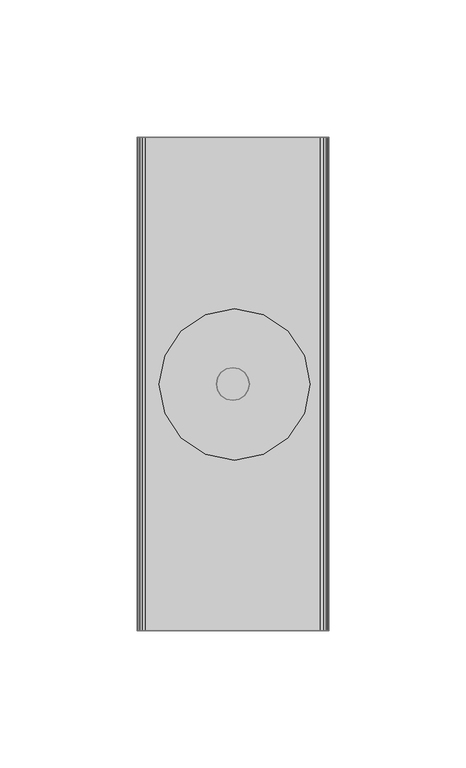
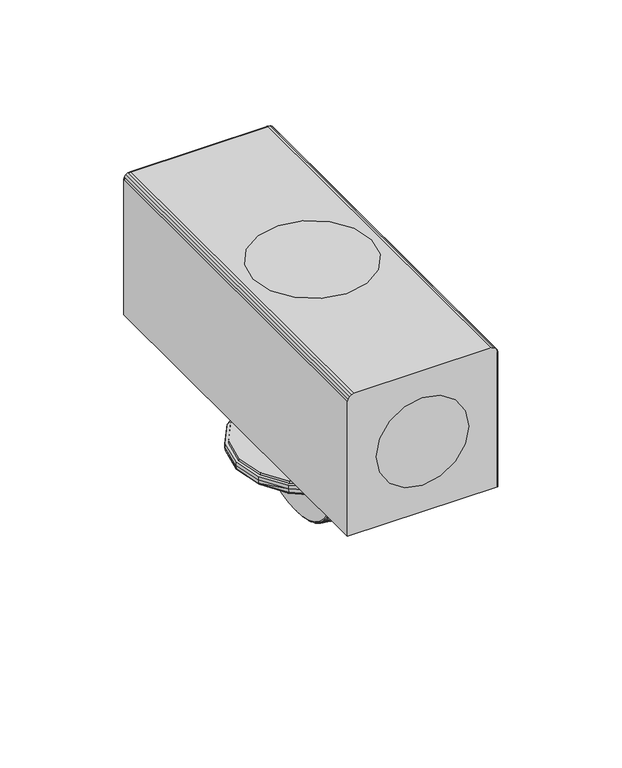
"""IFC4 building model written with IfcOpenShell, lengths in millimetres: furniture geometry."""

import ifcopenshell
import ifcopenshell.guid

model = None  # the IFC model being written
_history = None  # IfcOwnerHistory: only IFC2X3 demands one
_inside = {}  # id of a spatial element -> (the spatial element, [elements in it])
_under = {}  # id of a project, library or spatial element -> (it, [spatial elements below it])
_declared = {}  # id of a project -> (the project, [libraries it declares])
_typed = {}  # id of a type object -> (the type object, [elements of that type])
_made_of = {}  # id of a material, layer set ... -> (it, [elements and type objects made of it])


def new_model(schema):
    """Start an empty IFC model of exactly this schema.

    Asked for "IFC4X3", IfcOpenShell would pick the latest addendum, in which some entities
    have other attributes; the version numbers below select the first issue.
    IFC2X3 requires an IfcOwnerHistory on every rooted entity: one is made here for all.
    """
    global model, _history
    if schema == "IFC4X3":
        model = ifcopenshell.file(schema_version=(4, 3, 0, 0))
    else:
        model = ifcopenshell.file(schema=schema)
    _inside.clear()
    _under.clear()
    _declared.clear()
    _typed.clear()
    _made_of.clear()
    _history = None
    if model.schema == "IFC2X3":
        org = make("IfcOrganization", Name="unknown")
        user = make(
            "IfcPersonAndOrganization",
            ThePerson=make("IfcPerson", FamilyName="unknown"),
            TheOrganization=org,
        )
        app = make(
            "IfcApplication",
            ApplicationDeveloper=org,
            Version="unknown",
            ApplicationFullName="unknown",
            ApplicationIdentifier="unknown",
        )
        _history = make(
            "IfcOwnerHistory",
            OwningUser=user,
            OwningApplication=app,
            ChangeAction="ADDED",
            CreationDate=0,
        )
    return model


def make(cls, **values):
    """One entity of the class cls with the attributes given. An attribute that is None is left unset."""
    return model.create_entity(
        cls, **{name: value for name, value in values.items() if value is not None}
    )


def rooted(cls, **values):
    """An entity with a GlobalId (a new one), such as an element, a storey or a relation."""
    return make(cls, GlobalId=ifcopenshell.guid.new(), OwnerHistory=_history, **values)


def si_unit(unit_type, name, prefix=None):
    """IfcSIUnit, for example si_unit("LENGTHUNIT", "METRE", prefix="MILLI")."""
    return make("IfcSIUnit", UnitType=unit_type, Prefix=prefix, Name=name)


def assignment(units):
    """IfcUnitAssignment: the units of a project."""
    return None if units is None else make("IfcUnitAssignment", Units=units)


def point(xyz):
    """IfcCartesianPoint."""
    return None if xyz is None else make("IfcCartesianPoint", Coordinates=xyz)


def direction(xyz):
    """IfcDirection."""
    return None if xyz is None else make("IfcDirection", DirectionRatios=xyz)


def frame(location, z_axis=None, x_axis=None):
    """IfcAxis2Placement3D, a coordinate frame: its origin and axes. An axis left out is left unset."""
    return make(
        "IfcAxis2Placement3D",
        Location=point(location),
        Axis=direction(z_axis),
        RefDirection=direction(x_axis),
    )


def origin():
    """The frame at (0, 0, 0) with its axes left unset."""
    return frame((0.0, 0.0, 0.0))


def place(relative_to, where):
    """IfcLocalPlacement: puts the frame where relative to a parent placement (None: the world)."""
    return make(
        "IfcLocalPlacement", PlacementRelTo=relative_to, RelativePlacement=where
    )


def context(
    kind, dimensions, precision=None, world=None, true_north=None, identifier=None
):
    """IfcGeometricRepresentationContext, for example the 3D "Model" context."""
    return make(
        "IfcGeometricRepresentationContext",
        ContextIdentifier=identifier,
        ContextType=kind,
        CoordinateSpaceDimension=dimensions,
        Precision=precision,
        WorldCoordinateSystem=world,
        TrueNorth=true_north,
    )


def project(units=None, contexts=None):
    """IfcProject with its units and contexts."""
    return rooted(
        "IfcProject",
        Name="project",
        RepresentationContexts=contexts,
        UnitsInContext=assignment(units),
    )


def spatial(cls, under=None, at=None, **own):
    """A site, building, storey or space (cls), placed at a placement, below another one or the project."""
    s = rooted(cls, ObjectPlacement=at, **own)
    if under is not None:
        _under.setdefault(under.id(), (under, []))[1].append(s)
    return s


def point_list(points):
    """IfcCartesianPointList2D or 3D."""
    cls = (
        "IfcCartesianPointList2D" if len(points[0]) == 2 else "IfcCartesianPointList3D"
    )
    return make(cls, CoordList=points)


def triangles(points, corners, closed=None, point_numbers=None):
    """IfcTriangulatedFaceSet: each triangle names its three corners, points numbered from 1."""
    return make(
        "IfcTriangulatedFaceSet",
        Coordinates=point_list(points),
        Closed=closed,
        CoordIndex=corners,
        PnIndex=point_numbers,
    )


def shape(context_of_items, identifier, shape_type, items):
    """IfcShapeRepresentation: the items that make up one representation, for example the "Body"."""
    return make(
        "IfcShapeRepresentation",
        ContextOfItems=context_of_items,
        RepresentationIdentifier=identifier,
        RepresentationType=shape_type,
        Items=items,
    )


def source(mapping_origin, context_of_items, identifier, shape_type, items):
    """IfcRepresentationMap: a shape defined once, which mapped items show again and again."""
    return make(
        "IfcRepresentationMap",
        MappingOrigin=mapping_origin,
        MappedRepresentation=shape(context_of_items, identifier, shape_type, items),
    )


def transform(
    local_origin,
    x_axis=None,
    y_axis=None,
    z_axis=None,
    scale=None,
    scale2=None,
    scale3=None,
    uniform=True,
):
    """IfcCartesianTransformationOperator3D, or its non-uniform kind. x_axis, y_axis, z_axis: its Axis1, 2, 3."""
    if uniform:
        return make(
            "IfcCartesianTransformationOperator3D",
            Axis1=direction(x_axis),
            Axis2=direction(y_axis),
            LocalOrigin=point(local_origin),
            Scale=scale,
            Axis3=direction(z_axis),
        )
    return make(
        "IfcCartesianTransformationOperator3DnonUniform",
        Axis1=direction(x_axis),
        Axis2=direction(y_axis),
        LocalOrigin=point(local_origin),
        Scale=scale,
        Axis3=direction(z_axis),
        Scale2=scale2,
        Scale3=scale3,
    )


def mapped(mapping_source, mapping_target):
    """IfcMappedItem: shows the shape of a source again, moved by a transform."""
    return make(
        "IfcMappedItem", MappingSource=mapping_source, MappingTarget=mapping_target
    )


def made_of(thing, what):
    """Note that an element or type object is made of a material, layer set ...; save() writes the relation."""
    if what is not None:
        _made_of.setdefault(what.id(), (what, []))[1].append(thing)
    return thing


def element(
    cls,
    number,
    at=None,
    inside=None,
    cuts=None,
    type_object=None,
    material=None,
    context=None,
    identifier="Body",
    shape_type=None,
    held_by="IfcProductDefinitionShape",
    body=None,
    shapes=None,
    **own,
):
    """One element of the class cls, such as IfcWall. Its Tag is "e" and its number.

    at: its placement. inside: the storey or other place that contains it. cuts: it is an
    opening in that element (IfcRelVoidsElement). A single representation is given by context,
    identifier, shape_type and body (its items); several are given by shapes. held_by: the class
    of the entity that holds the representations. save() writes the other relations.
    """
    e = rooted(cls, Tag="e%d" % number, ObjectPlacement=at, **own)
    if body is not None:
        shapes = [shape(context, identifier, shape_type, body)]
    if shapes is not None:
        e.Representation = make(held_by, Representations=shapes)
    if inside is not None:
        _inside.setdefault(inside.id(), (inside, []))[1].append(e)
    if cuts is not None:
        rooted(
            "IfcRelVoidsElement", RelatingBuildingElement=cuts, RelatedOpeningElement=e
        )
    if type_object is not None:
        _typed.setdefault(type_object.id(), (type_object, []))[1].append(e)
    return made_of(e, material)


def aggregate(whole, parts):
    """IfcRelAggregates: a whole, such as a stair, and the parts it consists of."""
    return rooted("IfcRelAggregates", RelatingObject=whole, RelatedObjects=parts)


def save(model, path):
    """Write the relations noted so far, then the file.

    IfcRelAggregates (storeys below a building ...), IfcRelContainedInSpatialStructure (elements
    in a storey), IfcRelDefinesByType, IfcRelAssociatesMaterial and IfcRelDeclares: one each for
    every whole, place, type object, material and project.
    """
    for whole, parts in _under.values():
        aggregate(whole, parts)
    for where, things in _inside.values():
        rooted(
            "IfcRelContainedInSpatialStructure",
            RelatedElements=things,
            RelatingStructure=where,
        )
    for kind, things in _typed.values():
        rooted("IfcRelDefinesByType", RelatedObjects=things, RelatingType=kind)
    for what, things in _made_of.values():
        rooted("IfcRelAssociatesMaterial", RelatedObjects=things, RelatingMaterial=what)
    for by, libraries in _declared.values():
        rooted("IfcRelDeclares", RelatingContext=by, RelatedDefinitions=libraries)
    model.write(path)


def furniture_dbe5eb6a(model_context):
    return source(origin(), model_context, "Body", "Tessellation", [
        triangles([(-0.00025, -90.0001115, 56.0000021), (-0.00025, -90.0001115, 13.0000002), (8.227444, -90.0001115, 14.6365896), (8.227444, -90.0001115, 54.3634105), (15.2025457, -90.0001115, 49.7027938), (15.2025457, -90.0001115, 19.2972051), (19.8631589, -90.0001115, 42.7276926), (19.8631589, -90.0001115, 26.2723063), (-8.2279436, -90.0001115, 54.3634105), (-8.2279436, -90.0001115, 14.6365896), (-15.2030453, -90.0001115, 19.2972051), (-15.2030453, -90.0001115, 49.7027938), (-19.8636608, -90.0001115, 42.7276926), (-19.8636608, -90.0001115, 26.2723063), (-21.5002501, -90.0001115, 34.4999994), (21.4997505, -90.0001115, 34.4999994), (-0.00025, 89.9998935, 56.0000021), (-0.00025, 89.9998935, 13.0000002), (-8.2279436, 89.9998935, 14.6365896), (-8.2279436, 89.9998935, 54.3634105), (-15.2030453, 89.9998935, 49.7027938), (-15.2030453, 89.9998935, 19.2972051), (-19.8636608, 89.9998935, 42.7276926), (-19.8636608, 89.9998935, 26.2723063), (8.227444, 89.9998935, 54.3634105), (8.227444, 89.9998935, 14.6365896), (15.2025457, 89.9998935, 19.2972051), (15.2025457, 89.9998935, 49.7027938), (19.8631589, 89.9998935, 42.7276926), (19.8631589, 89.9998935, 26.2723063), (21.4997505, 89.9998935, 34.4999994), (-21.5002501, 89.9998935, 34.4999994), (-26.9258592, -0.1697684, 69.2999987), (-24.8285422, -10.7136902, 69.2999987), (26.0820131, -10.7136902, 69.2999987), (28.1793301, -0.1697684, 69.2999987), (-24.8285422, 10.3741533, 69.2999987), (26.0820131, 10.3741533, 69.2999987), (-18.8558905, 19.3128587, 69.2999987), (20.1093626, 19.3128587, 69.2999987), (11.1706572, 25.2855092, 69.2999987), (-9.9171851, 25.2855092, 69.2999987), (0.6267359, 27.3828262, 69.2999987), (-18.8558905, -19.6523956, 69.2999987), (20.1093626, -19.6523956, 69.2999987), (-9.9171851, -25.6250461, 69.2999987), (11.1706572, -25.6250461, 69.2999987), (0.6267359, -27.7223631, 69.2999987)], [[1, 2, 3], [1, 3, 4], [4, 3, 5], [3, 6, 5], [5, 6, 7], [6, 8, 7], [1, 9, 10], [1, 10, 2], [11, 10, 9], [11, 9, 12], [12, 13, 11], [13, 14, 11], [13, 15, 14], [7, 8, 16], [17, 18, 19], [17, 19, 20], [20, 19, 21], [19, 22, 21], [21, 22, 23], [22, 24, 23], [17, 25, 26], [17, 26, 18], [27, 26, 25], [27, 25, 28], [28, 29, 27], [29, 30, 27], [29, 31, 30], [23, 24, 32], [33, 34, 35], [33, 35, 36], [37, 33, 36], [37, 36, 38], [39, 37, 38], [39, 38, 40], [41, 42, 40], [42, 39, 40], [42, 41, 43], [34, 44, 35], [44, 45, 35], [44, 46, 47], [44, 47, 45], [48, 47, 46]], closed=False),
        triangles([(-34.9268811, -0.00011, -18.0000005), (-32.2626633, 13.3938102, -18.0000005), (-32.2271662, 13.379107, -19.6395307), (-34.8916725, -0.00011, -19.5694677), (-32.1207524, 13.3350282, -21.2754637), (-34.7861239, -0.00011, -21.1357761), (-24.6756173, 24.7486279, -18.0000005), (-24.6414329, 24.7144435, -19.8389439), (-24.538975, 24.6119856, -21.6728073), (-13.3207996, 32.3356739, -18.0000005), (-13.2958113, 32.2753464, -20.1369681), (-13.2209386, 32.0945867, -22.2659601), (-32.2271662, -13.3793262, -19.6395307), (-32.2626633, -13.3940305, -18.0000005), (-32.1207524, -13.3352484, -21.2754637), (-24.6414329, -24.7146638, -19.8389439), (-24.6756173, -24.7488482, -18.0000005), (-24.538975, -24.6122059, -21.6728073), (-13.2958113, -32.2755667, -20.1369681), (-13.3207996, -32.3358942, -18.0000005), (-13.2209386, -32.094807, -22.2659601), (35.037914, -0.00011, -19.5694677), (32.3734055, 13.379107, -19.6395307), (32.4089025, 13.3938102, -18.0000005), (35.0731203, -0.00011, -18.0000005), (34.9323631, -0.00011, -21.1357761), (32.2669917, 13.3350282, -21.2754637), (24.7876744, 24.7144435, -19.8389439), (24.8218565, 24.7486279, -18.0000005), (24.6852165, 24.6119856, -21.6728073), (13.4420517, 32.2753464, -20.1369681), (13.46704, 32.3356739, -18.0000005), (13.3671789, 32.0945867, -22.2659601), (32.4089025, -13.3940305, -18.0000005), (32.3734055, -13.3793262, -19.6395307), (32.2669917, -13.3352484, -21.2754637), (24.8218565, -24.7488482, -18.0000005), (24.7876744, -24.7146638, -19.8389439), (24.6852165, -24.6122059, -21.6728073), (13.46704, -32.3358942, -18.0000005), (13.4420517, -32.2755667, -20.1369681), (13.3671789, -32.094807, -22.2659601), (0.07312, 34.9998894, -18.0000005), (0.07312, 34.9345909, -20.1369681), (12.5151279, 32.4285052, -22.3106136), (0.07312, 34.7389406, -22.2659601), (-12.3688875, 32.4285052, -22.3106136), (0.07312, -34.9348112, -20.1369681), (0.07312, -35.0001097, -18.0000005), (0.07312, -34.7391609, -22.2659601), (12.5151279, -32.4287255, -22.3106136), (-12.3688875, -32.4287255, -22.3106136), (-33.8424814, -0.00011, -22.0448117), (-31.2455583, 12.9725117, -22.1809113), (-12.0657379, 5.0279697, -23.1860825), (-12.0657379, -0.00011, -23.1860825), (-23.8618248, 23.9348331, -22.5678767), (-12.0657379, 12.1387485, -23.1860825), (-12.8486491, 31.1957998, -23.1450535), (-12.0657379, 29.3056853, -23.1860825), (-7.0334563, 5.5213376, -51.0746804), (-6.9926583, -0.00011, -51.5410082), (-9.2341617, -0.00011, -25.9205041), (-9.2341617, 3.8550923, -25.9205041), (-9.2341617, 9.3071717, -25.9205041), (-7.1546863, 10.8851743, -49.6890183), (-7.352888, 15.9382872, -47.4235679), (-12.0657379, -5.0281894, -23.1860825), (-31.2455583, -12.9727308, -22.1809113), (-12.0657379, -12.1389677, -23.1860825), (-23.8618248, -23.9350534, -22.5678767), (-12.0657379, -29.3059056, -23.1860825), (-12.8486491, -31.1960201, -23.1450535), (-11.0586114, 4.6108042, -23.4170504), (-11.0264992, -0.00011, -23.4307918), (-10.175653, 4.245071, -23.9889359), (-10.1387707, -0.00011, -24.0239515), (-9.5315551, 3.9782765, -24.856268), (-9.5149903, -0.00011, -24.8904388), (-11.1505651, 11.2235757, -23.3801113), (-10.296762, 10.3697727, -23.8818431), (-9.5969944, 9.670005, -24.7309623), (-11.2770597, 27.4016477, -23.3349242), (-10.5008057, 25.5276047, -23.7253641), (-9.7637879, 23.748287, -24.4633891), (-9.2341617, 22.4696564, -25.9205041), (-12.3302578, 32.2646481, -22.7513071), (-11.0691384, 32.7103512, -23.0166297), (-10.9816357, 32.8839008, -22.6297029), (-9.976225, 32.9661042, -23.6984127), (-9.7521698, 33.1501295, -23.4337145), (-9.2070546, 32.9865131, -24.7570054), (-8.8730901, 33.1795359, -24.6390052), (-8.8664504, 32.7702381, -26.0538535), (-8.4824106, 32.96622, -26.0637411), (-12.2211109, 31.9310565, -23.0665131), (-11.1303833, 32.3679008, -23.3055292), (-10.150592, 32.6243259, -23.9221159), (-9.4450573, 32.6481435, -24.8700685), (-9.1335966, 32.4355224, -26.0029504), (-12.0657379, 31.501972, -23.1860825), (-11.0750905, 31.9369382, -23.4101717), (-10.1745391, 32.2000785, -23.9899737), (-9.5215993, 32.2320896, -24.8766724), (-9.2341617, 32.0243262, -25.9205041), (-24.4261004, 24.499111, -22.1165893), (-31.9779423, 13.2758748, -21.7208853), (-24.1827763, 24.2557869, -22.439085), (-31.6634334, 13.1456014, -22.047085), (-34.6342232, -0.00011, -21.5824058), (-34.2944706, -0.00011, -21.9096978), (-13.1569708, 31.9401561, -22.7071078), (-13.0232001, 31.6172017, -23.0238922), (-31.9779423, -13.2760939, -21.7208853), (-24.4261004, -24.4993313, -22.1165893), (-31.6634334, -13.1458205, -22.047085), (-24.1827763, -24.2560072, -22.439085), (-13.1569708, -31.9403764, -22.7071078), (-13.0232001, -31.6174219, -23.0238922), (-11.0586114, -4.6110242, -23.4170504), (-10.175653, -4.245291, -23.9889359), (-9.5315551, -3.9784965, -24.856268), (-9.2341617, -3.8553123, -25.9205041), (-11.1505651, -11.2237948, -23.3801113), (-10.296762, -10.3699929, -23.8818431), (-9.5969944, -9.6702241, -24.7309623), (-9.2341617, -9.307392, -25.9205041), (-11.2770597, -27.401868, -23.3349242), (-10.5008057, -25.527825, -23.7253641), (-9.7637879, -23.7485073, -24.4633891), (-9.2341617, -22.4698766, -25.9205041), (-10.9816357, -32.8841211, -22.6297029), (-11.0691384, -32.7105692, -23.0166297), (-12.3302578, -32.2648683, -22.7513071), (-9.7521698, -33.1503498, -23.4337145), (-9.976225, -32.9663244, -23.6984127), (-8.8730901, -33.1797562, -24.6390052), (-9.2070546, -32.9867333, -24.7570054), (-8.4824106, -32.9664403, -26.0637411), (-8.8664504, -32.7704584, -26.0538535), (-11.1303833, -32.368121, -23.3055292), (-12.2211109, -31.9312768, -23.0665131), (-10.150592, -32.6245462, -23.9221159), (-9.4450573, -32.6483637, -24.8700685), (-9.1335966, -32.4357427, -26.0029504), (-11.0750905, -31.9371585, -23.4101717), (-12.0657379, -31.5021923, -23.1860825), (-10.1745391, -32.2002988, -23.9899737), (-9.5215993, -32.2323099, -24.8766724), (-9.2341617, -32.0245464, -25.9205041), (-2.2963506, 5.5431669, 0.00076), (-2.2963506, 5.5431669, -17.0000002), (-4.2428906, 4.2425307, -17.0000002), (-4.2428906, 4.2425307, 0.00076), (-5.5435275, 2.2959907, -17.0000002), (-5.5435275, 2.2959907, 0.00076), (-0.00025, 5.9998898, 0.00076), (-0.00025, 5.9998898, -17.0000002), (2.2958506, 5.5431669, -17.0000002), (2.2958506, 5.5431669, 0.00076), (-6.0002498, -0.00011, -17.0000002), (-6.0002498, -0.00011, 0.00076), (4.2423907, 4.2425307, 0.00076), (4.2423907, 4.2425307, -17.0000002), (5.5430273, 2.2959907, -17.0000002), (5.5430273, 2.2959907, 0.00076), (5.9997502, -0.00011, -17.0000002), (5.9997502, -0.00011, 0.00076), (5.5430273, -2.2962106, 0.00076), (5.5430273, -2.2962106, -17.0000002), (4.2423907, -4.2427507, -17.0000002), (4.2423907, -4.2427507, 0.00076), (2.2958506, -5.5433872, 0.00076), (2.2958506, -5.5433872, -17.0000002), (-0.00025, -6.0001101, -17.0000002), (-0.00025, -6.0001101, 0.00076), (-2.2963506, -5.5433872, 0.00076), (-2.2963506, -5.5433872, -17.0000002), (-4.2428906, -4.2427507, -17.0000002), (-4.2428906, -4.2427507, 0.00076), (-5.5435275, -2.2962106, 0.00076), (-5.5435275, -2.2962106, -17.0000002), (-33.4418019, -0.00011, -18.0000005), (-33.4268795, -0.00011, -17.0000002), (-30.8757089, 12.8254958, -17.0000002), (-30.8906313, 12.8254958, -18.0000005), (-30.8757089, -12.8257149, -17.0000002), (-30.8906313, -12.8257149, -18.0000005), (-23.6255088, -23.6987397, -18.0000005), (-23.6105865, -23.6987397, -17.0000002), (33.6029634, -0.00011, -17.0000002), (31.0517929, 12.8254958, -17.0000002), (-23.6105865, 23.6985194, -17.0000002), (-23.6255088, 23.6985194, -18.0000005), (-12.7375628, 30.9636396, -17.0000002), (-12.7524851, 30.9636396, -18.0000005), (0.088042, 33.5148125, -17.0000002), (0.07312, 33.5148125, -18.0000005), (12.9136479, 30.9636396, -17.0000002), (12.8987255, 30.9636396, -18.0000005), (23.7866704, 23.6985194, -17.0000002), (23.771748, 23.6985194, -18.0000005), (31.0368705, 12.8254958, -18.0000005), (33.5880411, -0.00011, -18.0000005), (31.0517929, -12.8257149, -17.0000002), (31.0368705, -12.8257149, -18.0000005), (23.7866704, -23.6987397, -17.0000002), (23.771748, -23.6987397, -18.0000005), (12.9136479, -30.9638599, -17.0000002), (12.8987255, -30.9638599, -18.0000005), (0.088042, -33.5150328, -17.0000002), (0.07312, -33.5150328, -18.0000005), (-12.7375628, -30.9638599, -17.0000002), (-12.7524851, -30.9638599, -18.0000005), (-8.6685025, 30.7669243, -31.3190027), (-8.7730854, 30.3754783, -31.1906289), (-8.2335948, 28.2128968, -36.2900224), (-8.3427831, 27.8595504, -36.1090105), (-7.8415243, 24.8497141, -40.7714122), (-7.9555373, 24.5483653, -40.5352483), (-7.5037026, 20.7765343, -44.6327226), (-7.6224022, 20.5364372, -44.3429965), (-7.2299871, 16.1126623, -47.7613107), (-7.0284023, 10.9942712, -50.0654352), (-6.9049235, 5.5706158, -51.4767998), (-6.863312, -0.00011, -51.9524248), (-8.3951844, 31.0833952, -31.4404524), (-7.9551246, 28.5071944, -36.4703552), (-7.5589017, 25.1161473, -40.9992053), (-7.2178893, 21.0079632, -44.8969916), (-6.9418836, 16.3007844, -48.051759), (-6.7388238, 11.1298598, -50.3727429), (-6.61457, 5.6437019, -51.7929642), (-6.5727382, -0.00011, -52.2711054), (-8.0077734, 31.2688763, -31.488871), (-7.5648152, 28.6789521, -36.5519091), (-7.16618, 25.2703779, -41.1083329), (-6.823247, 21.140452, -45.0280746), (-6.5458049, 16.4070643, -48.1992473), (-6.3417743, 11.2053298, -50.531327), (-6.2169789, 5.6837328, -51.9577479), (-6.1749808, -0.00011, -52.4377876), (-7.0334563, -5.5215573, -51.0746804), (-7.1546863, -10.8853946, -49.6890183), (-7.352888, -15.9385075, -47.4235679), (-8.7730854, -30.3756963, -31.1906289), (-8.6685025, -30.7671445, -31.3190027), (-8.3427831, -27.8597707, -36.1090105), (-8.2335948, -28.2131171, -36.2900224), (-7.9555373, -24.5485856, -40.5352483), (-7.8415243, -24.8499344, -40.7714122), (-7.6224022, -20.5366553, -44.3429965), (-7.5037026, -20.7767546, -44.6327226), (-7.2299871, -16.1128825, -47.7613107), (-7.0284023, -10.9944915, -50.0654352), (-6.9049235, -5.570836, -51.4767998), (-8.3951844, -31.0836155, -31.4404524), (-7.9551246, -28.5074146, -36.4703552), (-7.5589017, -25.1163675, -40.9992053), (-7.2178893, -21.0081813, -44.8969916), (-6.9418836, -16.3010047, -48.051759), (-6.7388238, -11.1300801, -50.3727429), (-6.61457, -5.6439222, -51.7929642), (-8.0077734, -31.2690965, -31.488871), (-7.5648152, -28.6791724, -36.5519091), (-7.16618, -25.2705982, -41.1083329), (-6.823247, -21.1406723, -45.0280746), (-6.5458049, -16.4072845, -48.1992473), (-6.3417743, -11.205549, -50.531327), (-6.2169789, -5.6839531, -51.9577479), (12.2119783, 29.3056853, -23.1860825), (12.9948895, 31.1957998, -23.1450535), (24.008064, 23.9348331, -22.5678767), (12.2119783, 12.1387485, -23.1860825), (9.3804021, 3.8550923, -25.9205041), (9.3804021, -0.00011, -25.9205041), (7.1388981, -0.00011, -51.5410082), (7.1796967, 5.5213376, -51.0746804), (7.3009267, 10.8851743, -49.6890183), (9.3804021, 9.3071717, -25.9205041), (7.4991278, 15.9382872, -47.4235679), (12.2119783, -12.1389677, -23.1860825), (24.008064, -23.9350534, -22.5678767), (12.9948895, -31.1960201, -23.1450535), (12.2119783, -29.3059056, -23.1860825), (11.1727385, -0.00011, -23.4307918), (11.2048518, 4.6108042, -23.4170504), (12.2119783, 5.0279697, -23.1860825), (12.2119783, -0.00011, -23.1860825), (10.2850111, -0.00011, -24.0239515), (10.3218934, 4.245071, -23.9889359), (9.6612301, -0.00011, -24.8904388), (9.6777943, 3.9782765, -24.856268), (11.2968055, 11.2235757, -23.3801113), (10.4430024, 10.3697727, -23.8818431), (9.7432348, 9.670005, -24.7309623), (11.4233001, 27.4016477, -23.3349242), (10.6470461, 25.5276047, -23.7253641), (9.9100283, 23.748287, -24.4633891), (9.3804021, 22.4696564, -25.9205041), (11.1278761, 32.8839008, -22.6297029), (11.2153787, 32.7103512, -23.0166297), (12.476497, 32.2646481, -22.7513071), (9.898409, 33.1501295, -23.4337145), (10.1224653, 32.9661042, -23.6984127), (9.0193299, 33.1795359, -24.6390052), (9.3532945, 32.9865131, -24.7570054), (8.628651, 32.96622, -26.0637411), (9.0126908, 32.7702381, -26.0538535), (11.2766236, 32.3679008, -23.3055292), (12.3673501, 31.9310565, -23.0665131), (10.2968313, 32.6243259, -23.9221159), (9.5912977, 32.6481435, -24.8700685), (9.279837, 32.4355224, -26.0029504), (11.2213309, 31.9369382, -23.4101717), (12.2119783, 31.501972, -23.1860825), (10.3207795, 32.2000785, -23.9899737), (9.6678397, 32.2320896, -24.8766724), (9.3804021, 32.0243262, -25.9205041), (32.1241815, 13.2758748, -21.7208853), (24.5723419, 24.499111, -22.1165893), (31.8096749, 13.1456014, -22.047085), (24.3290178, 24.2557869, -22.439085), (31.3917975, 12.9725117, -22.1809113), (34.7804624, -0.00011, -21.5824058), (34.4407121, -0.00011, -21.9096978), (33.9887207, -0.00011, -22.0448117), (13.3032112, 31.9401561, -22.7071078), (13.1694394, 31.6172017, -23.0238922), (24.5723419, -24.4993313, -22.1165893), (32.1241815, -13.2760939, -21.7208853), (24.3290178, -24.2560072, -22.439085), (31.8096749, -13.1458205, -22.047085), (31.3917975, -12.9727308, -22.1809113), (13.3032112, -31.9403764, -22.7071078), (13.1694394, -31.6174219, -23.0238922), (12.2119783, -5.0281894, -23.1860825), (11.2048518, -4.6110242, -23.4170504), (10.3218934, -4.245291, -23.9889359), (9.6777943, -3.9784965, -24.856268), (9.3804021, -3.8553123, -25.9205041), (11.2968055, -11.2237948, -23.3801113), (10.4430024, -10.3699929, -23.8818431), (9.7432348, -9.6702241, -24.7309623), (9.3804021, -9.307392, -25.9205041), (11.4233001, -27.401868, -23.3349242), (10.6470461, -25.527825, -23.7253641), (9.9100283, -23.7485073, -24.4633891), (9.3804021, -22.4698766, -25.9205041), (12.476497, -32.2648683, -22.7513071), (11.2153787, -32.7105692, -23.0166297), (11.1278761, -32.8841211, -22.6297029), (10.1224653, -32.9663244, -23.6984127), (9.898409, -33.1503498, -23.4337145), (9.3532945, -32.9867333, -24.7570054), (9.0193299, -33.1797562, -24.6390052), (9.0126908, -32.7704584, -26.0538535), (8.628651, -32.9664403, -26.0637411), (12.3673501, -31.9312768, -23.0665131), (11.2766236, -32.368121, -23.3055292), (10.2968313, -32.6245462, -23.9221159), (9.5912977, -32.6483637, -24.8700685), (9.279837, -32.4357427, -26.0029504), (12.2119783, -31.5021923, -23.1860825), (11.2213309, -31.9371585, -23.4101717), (10.3207795, -32.2002988, -23.9899737), (9.6678397, -32.2323099, -24.8766724), (9.3804021, -32.0245464, -25.9205041), (8.9193258, 30.3754783, -31.1906289), (8.8147423, 30.7669243, -31.3190027), (8.489023, 27.8595504, -36.1090105), (8.3798346, 28.2128968, -36.2900224), (8.1017771, 24.5483653, -40.5352483), (7.9877642, 24.8497141, -40.7714122), (7.7686426, 20.5364372, -44.3429965), (7.649943, 20.7765343, -44.6327226), (7.376227, 16.1126623, -47.7613107), (7.1746421, 10.9942712, -50.0654352), (7.0511639, 5.5706158, -51.4767998), (7.0095524, -0.00011, -51.9524248), (8.5414243, 31.0833952, -31.4404524), (8.1013649, 28.5071944, -36.4703552), (7.7051421, 25.1161473, -40.9992053), (7.3641297, 21.0079632, -44.8969916), (7.0881234, 16.3007844, -48.051759), (6.8850636, 11.1298598, -50.3727429), (6.7608098, 5.6437019, -51.7929642), (6.7189781, -0.00011, -52.2711054), (8.1540138, 31.2688763, -31.488871), (7.711055, 28.6789521, -36.5519091), (7.3124199, 25.2703779, -41.1083329), (6.9694868, 21.140452, -45.0280746), (6.6920453, 16.4070643, -48.1992473), (6.4880147, 11.2053298, -50.531327), (6.3632187, 5.6837328, -51.9577479), (6.3212206, -0.00011, -52.4377876), (7.1796967, -5.5215573, -51.0746804), (7.3009267, -10.8853946, -49.6890183), (7.4991278, -15.9385075, -47.4235679), (8.8147423, -30.7671445, -31.3190027), (8.9193258, -30.3756963, -31.1906289), (8.3798346, -28.2131171, -36.2900224), (8.489023, -27.8597707, -36.1090105), (7.9877642, -24.8499344, -40.7714122), (8.1017771, -24.5485856, -40.5352483), (7.649943, -20.7767546, -44.6327226), (7.7686426, -20.5366553, -44.3429965), (7.376227, -16.1128825, -47.7613107), (7.1746421, -10.9944915, -50.0654352), (7.0511639, -5.570836, -51.4767998), (8.5414243, -31.0836155, -31.4404524), (8.1013649, -28.5074146, -36.4703552), (7.7051421, -25.1163675, -40.9992053), (7.3641297, -21.0081813, -44.8969916), (7.0881234, -16.3010047, -48.051759), (6.8850636, -11.1300801, -50.3727429), (6.7608098, -5.6439222, -51.7929642), (8.1540138, -31.2690965, -31.488871), (7.711055, -28.6791724, -36.5519091), (7.3124199, -25.2705982, -41.1083329), (6.9694868, -21.1406723, -45.0280746), (6.6920453, -16.4072845, -48.1992473), (6.4880147, -11.205549, -50.531327), (6.3632187, -5.6839531, -51.9577479), (-4.2393553, 33.7841865, -26.0637411), (-3.9998456, 32.0383242, -31.488871), (-3.7784179, 29.4276392, -36.5519091), (0.07312, 29.6786141, -36.5519091), (0.07312, 32.29618, -31.488871), (0.07312, 34.0583113, -26.0637411), (4.3855951, 33.7841865, -26.0637411), (4.1460857, 32.0383242, -31.488871), (3.924658, 29.4276392, -36.5519091), (0.07312, -32.2964003, -31.488871), (-3.9998456, -32.0385445, -31.488871), (-3.7784179, -29.4278572, -36.5519091), (0.07312, -29.6788343, -36.5519091), (-4.2393553, -33.7844045, -26.0637411), (0.07312, -34.0585316, -26.0637411), (4.1460857, -32.0385445, -31.488871), (4.3855951, -33.7844045, -26.0637411), (3.924658, -29.4278572, -36.5519091), (0.07312, 26.1959914, -41.1499774), (3.6684216, 25.9636064, -41.1395447), (0.07312, 21.8809432, -45.1738324), (3.4772192, 21.695033, -45.1373203), (3.3444111, 16.7814066, -48.4099357), (0.07312, 16.9068952, -48.480353), (0.07312, 11.4645005, -50.9477805), (3.2620732, 11.3994325, -50.8434582), (0.07312, 5.7577818, -52.4783148), (3.2208401, 5.7391914, -52.3479085), (0.07312, -0.00011, -52.999999), (3.209792, -0.00011, -52.8591645), (-3.5221818, 25.9636064, -41.1395447), (-3.3309791, 21.695033, -45.1373203), (-3.198171, 16.7814066, -48.4099357), (-3.1158331, 11.3994325, -50.8434582), (-3.0746003, 5.7391914, -52.3479085), (-3.0635522, -0.00011, -52.8591645), (3.6684216, -25.9638244, -41.1395447), (0.07312, -26.1962117, -41.1499774), (3.4772192, -21.6952532, -45.1373203), (0.07312, -21.8811635, -45.1738324), (3.3444111, -16.7816269, -48.4099357), (0.07312, -16.9071155, -48.480353), (3.2620732, -11.3996528, -50.8434582), (0.07312, -11.4647208, -50.9477805), (3.2208401, -5.7394111, -52.3479085), (0.07312, -5.7580021, -52.4783148), (-3.5221818, -25.9638244, -41.1395447), (-3.3309791, -21.6952532, -45.1373203), (-3.198171, -16.7816269, -48.4099357), (-3.1158331, -11.3996528, -50.8434582), (-3.0746003, -5.7394111, -52.3479085)], [[1, 2, 3], [1, 3, 4], [4, 3, 5], [4, 5, 6], [2, 7, 8], [2, 8, 3], [3, 8, 9], [3, 9, 5], [7, 10, 11], [7, 11, 8], [8, 11, 12], [8, 12, 9], [4, 13, 14], [4, 14, 1], [6, 15, 13], [6, 13, 4], [13, 16, 17], [13, 17, 14], [15, 18, 16], [15, 16, 13], [16, 19, 20], [16, 20, 17], [18, 21, 19], [18, 19, 16], [22, 23, 24], [22, 24, 25], [26, 27, 23], [26, 23, 22], [23, 28, 29], [23, 29, 24], [27, 30, 28], [27, 28, 23], [28, 31, 32], [28, 32, 29], [30, 33, 31], [30, 31, 28], [25, 34, 35], [25, 35, 22], [22, 35, 36], [22, 36, 26], [34, 37, 38], [34, 38, 35], [35, 38, 39], [35, 39, 36], [37, 40, 41], [37, 41, 38], [38, 41, 42], [38, 42, 39], [43, 32, 31], [43, 31, 44], [10, 43, 44], [10, 44, 11], [44, 31, 45], [44, 45, 46], [47, 11, 44], [47, 44, 46], [48, 41, 40], [48, 40, 49], [19, 48, 49], [19, 49, 20], [50, 51, 41], [50, 41, 48], [50, 48, 19], [50, 19, 52], [53, 54, 55], [53, 55, 56], [54, 57, 58], [54, 58, 55], [58, 57, 59], [58, 59, 60], [61, 62, 63], [61, 63, 64], [64, 65, 66], [64, 66, 61], [67, 66, 65], [56, 68, 69], [56, 69, 53], [68, 70, 71], [68, 71, 69], [72, 73, 71], [72, 71, 70], [56, 55, 74], [56, 74, 75], [75, 74, 76], [75, 76, 77], [77, 76, 78], [77, 78, 79], [79, 78, 64], [79, 64, 63], [55, 58, 80], [55, 80, 74], [74, 80, 81], [74, 81, 76], [76, 81, 82], [76, 82, 78], [78, 82, 65], [78, 65, 64], [58, 60, 83], [58, 83, 80], [80, 83, 84], [80, 84, 81], [81, 84, 85], [81, 85, 82], [82, 85, 86], [82, 86, 65], [47, 87, 88], [47, 88, 89], [89, 88, 90], [89, 90, 91], [91, 90, 92], [91, 92, 93], [93, 92, 94], [93, 94, 95], [87, 96, 97], [87, 97, 88], [88, 97, 98], [88, 98, 90], [90, 98, 99], [90, 99, 92], [92, 99, 100], [92, 100, 94], [96, 101, 102], [96, 102, 97], [97, 102, 103], [97, 103, 98], [98, 103, 104], [98, 104, 99], [99, 104, 105], [99, 105, 100], [60, 101, 102], [60, 102, 83], [83, 102, 103], [83, 103, 84], [84, 103, 104], [84, 104, 85], [85, 104, 105], [85, 105, 86], [60, 59, 101], [5, 9, 106], [5, 106, 107], [107, 106, 108], [107, 108, 109], [109, 108, 57], [109, 57, 54], [5, 107, 110], [5, 110, 6], [111, 110, 107], [111, 107, 109], [109, 54, 53], [109, 53, 111], [9, 12, 112], [9, 112, 106], [106, 112, 113], [106, 113, 108], [57, 108, 113], [57, 113, 59], [114, 115, 18], [114, 18, 15], [116, 117, 115], [116, 115, 114], [69, 71, 117], [69, 117, 116], [6, 110, 114], [6, 114, 15], [116, 114, 110], [116, 110, 111], [111, 53, 69], [111, 69, 116], [115, 118, 21], [115, 21, 18], [117, 119, 118], [117, 118, 115], [73, 119, 117], [73, 117, 71], [113, 96, 101], [113, 101, 59], [113, 112, 87], [113, 87, 96], [112, 12, 47], [112, 47, 87], [11, 47, 12], [75, 120, 68], [75, 68, 56], [77, 121, 120], [77, 120, 75], [79, 122, 121], [79, 121, 77], [63, 123, 122], [63, 122, 79], [120, 124, 70], [120, 70, 68], [121, 125, 124], [121, 124, 120], [122, 126, 125], [122, 125, 121], [123, 127, 126], [123, 126, 122], [124, 128, 72], [124, 72, 70], [125, 129, 128], [125, 128, 124], [126, 130, 129], [126, 129, 125], [127, 131, 130], [127, 130, 126], [132, 133, 134], [132, 134, 52], [135, 136, 133], [135, 133, 132], [137, 138, 136], [137, 136, 135], [139, 140, 138], [139, 138, 137], [133, 141, 142], [133, 142, 134], [136, 143, 141], [136, 141, 133], [138, 144, 143], [138, 143, 136], [140, 145, 144], [140, 144, 138], [141, 146, 147], [141, 147, 142], [143, 148, 146], [143, 146, 141], [144, 149, 148], [144, 148, 143], [145, 150, 149], [145, 149, 144], [128, 146, 147], [128, 147, 72], [129, 148, 146], [129, 146, 128], [130, 149, 148], [130, 148, 129], [131, 150, 149], [131, 149, 130], [147, 73, 72], [73, 147, 142], [73, 142, 119], [142, 134, 118], [142, 118, 119], [134, 52, 21], [134, 21, 118], [21, 52, 19], [151, 152, 153], [151, 153, 154], [154, 153, 155], [154, 155, 156], [151, 157, 158], [151, 158, 152], [159, 158, 157], [159, 157, 160], [155, 161, 162], [155, 162, 156], [160, 163, 164], [160, 164, 159], [165, 164, 163], [165, 163, 166], [167, 165, 166], [167, 166, 168], [168, 169, 170], [168, 170, 167], [171, 170, 169], [171, 169, 172], [172, 173, 174], [172, 174, 171], [175, 174, 173], [175, 173, 176], [176, 177, 178], [176, 178, 175], [179, 178, 177], [179, 177, 180], [180, 181, 182], [180, 182, 179], [161, 182, 181], [161, 181, 162], [183, 184, 185], [183, 185, 186], [187, 184, 183], [187, 183, 188], [187, 188, 189], [187, 189, 190], [184, 191, 192], [184, 192, 185], [186, 185, 193], [186, 193, 194], [194, 193, 195], [194, 195, 196], [196, 195, 197], [196, 197, 198], [198, 197, 199], [198, 199, 200], [193, 185, 192], [193, 192, 201], [201, 199, 195], [201, 195, 193], [199, 197, 195], [200, 199, 201], [200, 201, 202], [202, 201, 192], [202, 192, 203], [203, 192, 191], [203, 191, 204], [204, 191, 205], [204, 205, 206], [206, 205, 207], [206, 207, 208], [208, 207, 209], [208, 209, 210], [209, 211, 212], [209, 212, 210], [205, 191, 184], [205, 184, 187], [212, 211, 213], [212, 213, 214], [214, 213, 190], [214, 190, 189], [187, 190, 205], [190, 207, 205], [207, 190, 213], [207, 213, 209], [209, 213, 211], [188, 183, 1], [188, 1, 14], [188, 14, 17], [188, 17, 189], [189, 17, 20], [189, 20, 214], [214, 20, 49], [214, 49, 212], [40, 210, 212], [40, 212, 49], [210, 40, 37], [210, 37, 208], [208, 37, 34], [208, 34, 206], [206, 34, 25], [206, 25, 204], [204, 25, 24], [204, 24, 203], [203, 24, 29], [203, 29, 202], [32, 200, 202], [32, 202, 29], [43, 198, 200], [43, 200, 32], [10, 196, 198], [10, 198, 43], [196, 10, 7], [196, 7, 194], [194, 7, 2], [194, 2, 186], [186, 2, 1], [186, 1, 183], [105, 100, 215], [105, 215, 216], [216, 215, 217], [216, 217, 218], [218, 217, 219], [218, 219, 220], [220, 219, 221], [220, 221, 222], [222, 221, 223], [222, 223, 67], [67, 223, 224], [67, 224, 66], [66, 224, 225], [66, 225, 61], [61, 225, 226], [61, 226, 62], [100, 94, 227], [100, 227, 215], [215, 227, 228], [215, 228, 217], [217, 228, 229], [217, 229, 219], [219, 229, 230], [219, 230, 221], [221, 230, 231], [221, 231, 223], [223, 231, 232], [223, 232, 224], [224, 232, 233], [224, 233, 225], [225, 233, 234], [225, 234, 226], [94, 95, 235], [94, 235, 227], [227, 235, 236], [227, 236, 228], [228, 236, 237], [228, 237, 229], [229, 237, 238], [229, 238, 230], [230, 238, 239], [230, 239, 231], [231, 239, 240], [231, 240, 232], [232, 240, 241], [232, 241, 233], [233, 241, 242], [233, 242, 234], [65, 222, 67], [65, 220, 222], [65, 218, 220], [216, 86, 105], [65, 86, 216], [65, 216, 218], [123, 63, 62], [123, 62, 243], [243, 244, 127], [243, 127, 123], [127, 244, 245], [246, 247, 145], [246, 145, 150], [248, 249, 247], [248, 247, 246], [250, 251, 249], [250, 249, 248], [252, 253, 251], [252, 251, 250], [245, 254, 253], [245, 253, 252], [244, 255, 254], [244, 254, 245], [243, 256, 255], [243, 255, 244], [62, 226, 256], [62, 256, 243], [247, 257, 140], [247, 140, 145], [249, 258, 257], [249, 257, 247], [251, 259, 258], [251, 258, 249], [253, 260, 259], [253, 259, 251], [254, 261, 260], [254, 260, 253], [255, 262, 261], [255, 261, 254], [256, 263, 262], [256, 262, 255], [226, 234, 263], [226, 263, 256], [257, 264, 139], [257, 139, 140], [258, 265, 264], [258, 264, 257], [259, 266, 265], [259, 265, 258], [260, 267, 266], [260, 266, 259], [261, 268, 267], [261, 267, 260], [262, 269, 268], [262, 268, 261], [263, 270, 269], [263, 269, 262], [234, 242, 270], [234, 270, 263], [245, 252, 127], [252, 250, 127], [250, 248, 127], [150, 131, 246], [248, 246, 131], [248, 131, 127], [271, 272, 273], [271, 273, 274], [275, 276, 277], [275, 277, 278], [278, 279, 280], [278, 280, 275], [280, 279, 281], [282, 283, 284], [282, 284, 285], [286, 287, 288], [286, 288, 289], [290, 291, 287], [290, 287, 286], [292, 293, 291], [292, 291, 290], [276, 275, 293], [276, 293, 292], [287, 294, 274], [287, 274, 288], [291, 295, 294], [291, 294, 287], [293, 296, 295], [293, 295, 291], [275, 280, 296], [275, 296, 293], [294, 297, 271], [294, 271, 274], [295, 298, 297], [295, 297, 294], [296, 299, 298], [296, 298, 295], [280, 300, 299], [280, 299, 296], [301, 302, 303], [301, 303, 45], [304, 305, 302], [304, 302, 301], [306, 307, 305], [306, 305, 304], [308, 309, 307], [308, 307, 306], [302, 310, 311], [302, 311, 303], [305, 312, 310], [305, 310, 302], [307, 313, 312], [307, 312, 305], [309, 314, 313], [309, 313, 307], [310, 315, 316], [310, 316, 311], [312, 317, 315], [312, 315, 310], [313, 318, 317], [313, 317, 312], [314, 319, 318], [314, 318, 313], [297, 315, 316], [297, 316, 271], [298, 317, 315], [298, 315, 297], [299, 318, 317], [299, 317, 298], [300, 319, 318], [300, 318, 299], [316, 272, 271], [320, 321, 30], [320, 30, 27], [322, 323, 321], [322, 321, 320], [324, 273, 323], [324, 323, 322], [26, 325, 320], [26, 320, 27], [322, 320, 325], [322, 325, 326], [326, 327, 324], [326, 324, 322], [321, 328, 33], [321, 33, 30], [323, 329, 328], [323, 328, 321], [272, 329, 323], [272, 323, 273], [36, 39, 330], [36, 330, 331], [331, 330, 332], [331, 332, 333], [333, 332, 283], [333, 283, 334], [36, 331, 325], [36, 325, 26], [326, 325, 331], [326, 331, 333], [333, 334, 327], [333, 327, 326], [39, 42, 335], [39, 335, 330], [330, 335, 336], [330, 336, 332], [283, 332, 336], [283, 336, 284], [272, 316, 311], [272, 311, 329], [311, 303, 328], [311, 328, 329], [303, 45, 33], [303, 33, 328], [33, 45, 31], [289, 337, 338], [289, 338, 286], [286, 338, 339], [286, 339, 290], [290, 339, 340], [290, 340, 292], [292, 340, 341], [292, 341, 276], [337, 282, 342], [337, 342, 338], [338, 342, 343], [338, 343, 339], [339, 343, 344], [339, 344, 340], [340, 344, 345], [340, 345, 341], [282, 285, 346], [282, 346, 342], [342, 346, 347], [342, 347, 343], [343, 347, 348], [343, 348, 344], [344, 348, 349], [344, 349, 345], [51, 350, 351], [51, 351, 352], [352, 351, 353], [352, 353, 354], [354, 353, 355], [354, 355, 356], [356, 355, 357], [356, 357, 358], [350, 359, 360], [350, 360, 351], [351, 360, 361], [351, 361, 353], [353, 361, 362], [353, 362, 355], [355, 362, 363], [355, 363, 357], [359, 364, 365], [359, 365, 360], [360, 365, 366], [360, 366, 361], [361, 366, 367], [361, 367, 362], [362, 367, 368], [362, 368, 363], [285, 364, 365], [285, 365, 346], [346, 365, 366], [346, 366, 347], [347, 366, 367], [347, 367, 348], [348, 367, 368], [348, 368, 349], [285, 284, 364], [336, 359, 364], [336, 364, 284], [336, 335, 350], [336, 350, 359], [335, 42, 51], [335, 51, 350], [41, 51, 42], [369, 370, 314], [369, 314, 319], [371, 372, 370], [371, 370, 369], [373, 374, 372], [373, 372, 371], [375, 376, 374], [375, 374, 373], [281, 377, 376], [281, 376, 375], [279, 378, 377], [279, 377, 281], [278, 379, 378], [278, 378, 279], [277, 380, 379], [277, 379, 278], [370, 381, 309], [370, 309, 314], [372, 382, 381], [372, 381, 370], [374, 383, 382], [374, 382, 372], [376, 384, 383], [376, 383, 374], [377, 385, 384], [377, 384, 376], [378, 386, 385], [378, 385, 377], [379, 387, 386], [379, 386, 378], [380, 388, 387], [380, 387, 379], [381, 389, 308], [381, 308, 309], [382, 390, 389], [382, 389, 381], [383, 391, 390], [383, 390, 382], [384, 392, 391], [384, 391, 383], [385, 393, 392], [385, 392, 384], [386, 394, 393], [386, 393, 385], [387, 395, 394], [387, 394, 386], [388, 396, 395], [388, 395, 387], [281, 375, 280], [375, 373, 280], [373, 371, 280], [319, 300, 369], [371, 369, 300], [371, 300, 280], [397, 277, 276], [397, 276, 341], [341, 345, 398], [341, 398, 397], [399, 398, 345], [368, 363, 400], [368, 400, 401], [401, 400, 402], [401, 402, 403], [403, 402, 404], [403, 404, 405], [405, 404, 406], [405, 406, 407], [407, 406, 408], [407, 408, 399], [399, 408, 409], [399, 409, 398], [398, 409, 410], [398, 410, 397], [397, 410, 380], [397, 380, 277], [363, 357, 411], [363, 411, 400], [400, 411, 412], [400, 412, 402], [402, 412, 413], [402, 413, 404], [404, 413, 414], [404, 414, 406], [406, 414, 415], [406, 415, 408], [408, 415, 416], [408, 416, 409], [409, 416, 417], [409, 417, 410], [410, 417, 388], [410, 388, 380], [357, 358, 418], [357, 418, 411], [411, 418, 419], [411, 419, 412], [412, 419, 420], [412, 420, 413], [413, 420, 421], [413, 421, 414], [414, 421, 422], [414, 422, 415], [415, 422, 423], [415, 423, 416], [416, 423, 424], [416, 424, 417], [417, 424, 396], [417, 396, 388], [345, 407, 399], [345, 405, 407], [345, 403, 405], [401, 349, 368], [345, 349, 401], [345, 401, 403], [289, 327, 334], [289, 334, 337], [337, 334, 283], [337, 283, 282], [324, 327, 289], [324, 289, 288], [288, 274, 273], [288, 273, 324], [95, 425, 426], [95, 426, 235], [235, 426, 427], [235, 427, 236], [428, 427, 426], [428, 426, 429], [430, 429, 426], [430, 426, 425], [430, 431, 432], [430, 432, 429], [429, 432, 433], [429, 433, 428], [390, 433, 432], [390, 432, 389], [389, 432, 431], [389, 431, 308], [46, 430, 425], [46, 425, 95], [46, 95, 93], [46, 93, 91], [46, 91, 89], [46, 89, 47], [46, 45, 301], [46, 301, 304], [46, 304, 306], [46, 431, 430], [46, 306, 308], [46, 308, 431], [434, 435, 436], [434, 436, 437], [438, 435, 434], [438, 434, 439], [434, 440, 441], [434, 441, 439], [437, 442, 440], [437, 440, 434], [438, 439, 50], [439, 441, 50], [435, 438, 139], [435, 139, 264], [435, 264, 265], [435, 265, 436], [418, 440, 442], [418, 442, 419], [441, 440, 418], [441, 418, 358], [50, 441, 358], [50, 358, 356], [50, 356, 354], [50, 354, 352], [50, 352, 51], [50, 52, 132], [132, 135, 50], [50, 135, 137], [50, 137, 139], [50, 139, 438], [433, 428, 443], [433, 443, 444], [444, 443, 445], [444, 445, 446], [446, 445, 447], [445, 448, 447], [447, 448, 449], [447, 449, 450], [450, 449, 451], [450, 451, 452], [452, 451, 453], [452, 453, 454], [428, 427, 455], [428, 455, 443], [443, 455, 456], [443, 456, 445], [445, 456, 448], [456, 457, 448], [448, 457, 458], [448, 458, 449], [449, 458, 459], [449, 459, 451], [451, 459, 460], [451, 460, 453], [236, 427, 455], [236, 455, 237], [237, 455, 456], [237, 456, 238], [238, 456, 457], [238, 457, 239], [240, 239, 457], [240, 457, 458], [240, 458, 459], [240, 459, 241], [241, 459, 460], [241, 460, 242], [396, 454, 452], [396, 452, 395], [395, 452, 450], [395, 450, 394], [393, 394, 450], [393, 450, 447], [446, 392, 393], [446, 393, 447], [446, 444, 391], [446, 391, 392], [390, 391, 444], [390, 444, 433], [461, 462, 437], [461, 437, 442], [463, 464, 462], [463, 462, 461], [465, 466, 464], [465, 464, 463], [467, 468, 466], [467, 466, 465], [469, 470, 468], [469, 468, 467], [454, 453, 470], [454, 470, 469], [462, 471, 436], [462, 436, 437], [464, 472, 471], [464, 471, 462], [466, 473, 472], [466, 472, 464], [468, 474, 473], [468, 473, 466], [470, 475, 474], [470, 474, 468], [453, 460, 475], [453, 475, 470], [266, 471, 436], [266, 436, 265], [267, 472, 471], [267, 471, 266], [268, 473, 472], [268, 472, 267], [474, 473, 268], [474, 268, 269], [270, 475, 474], [270, 474, 269], [242, 460, 475], [242, 475, 270], [424, 469, 454], [424, 454, 396], [423, 467, 469], [423, 469, 424], [465, 467, 423], [465, 423, 422], [465, 422, 421], [465, 421, 463], [421, 420, 461], [421, 461, 463], [442, 461, 420], [442, 420, 419]], closed=False),
        triangles([(31.9997501, -90.0001115, 69.2999987), (-32.0002497, -90.0001115, 69.2999987), (-35.0002505, -90.0001115, 66.3000002), (34.9997509, -90.0001115, 66.3000002), (-21.5002501, -90.0001115, 34.4999994), (-35.0002505, -90.0001115, 0.0), (-35.0002505, 89.9998935, 66.3000002), (-35.0002505, 89.9998935, 0.0), (0.6267359, -27.7223631, 69.2999987), (-32.0002497, 89.9998935, 69.2999987), (31.9997501, 89.9998935, 69.2999987), (34.9997509, 89.9998935, 66.3000002), (0.6267359, 27.3828262, 69.2999987), (34.9997509, 89.9998935, 0.0), (34.9997509, -90.0001115, 0.0), (-0.00025, -90.0001115, 13.0000002), (21.4997505, -90.0001115, 34.4999994), (-0.00025, -90.0001115, 56.0000021), (8.227444, -90.0001115, 54.3634105), (15.2025457, -90.0001115, 49.7027938), (19.8631589, -90.0001115, 42.7276926), (19.8631589, -90.0001115, 26.2723063), (15.2025457, -90.0001115, 19.2972051), (8.227444, -90.0001115, 14.6365896), (-8.2279436, -90.0001115, 14.6365896), (-15.2030453, -90.0001115, 19.2972051), (-19.8636608, -90.0001115, 26.2723063), (-19.8636608, -90.0001115, 42.7276926), (-15.2030453, -90.0001115, 49.7027938), (-8.2279436, -90.0001115, 54.3634105), (21.4997505, 89.9998935, 34.4999994), (-0.00025, 89.9998935, 13.0000002), (-21.5002501, 89.9998935, 34.4999994), (-0.00025, 89.9998935, 56.0000021), (-8.2279436, 89.9998935, 54.3634105), (-15.2030453, 89.9998935, 49.7027938), (-19.8636608, 89.9998935, 42.7276926), (-19.8636608, 89.9998935, 26.2723063), (-15.2030453, 89.9998935, 19.2972051), (-8.2279436, 89.9998935, 14.6365896), (8.227444, 89.9998935, 14.6365896), (15.2025457, 89.9998935, 19.2972051), (19.8631589, 89.9998935, 26.2723063), (19.8631589, 89.9998935, 42.7276926), (15.2025457, 89.9998935, 49.7027938), (8.227444, 89.9998935, 54.3634105), (-34.7718896, 89.9998935, 67.4480497), (-34.7718896, -90.0001115, 67.4480497), (-34.1215705, -90.0001115, 68.4213187), (-34.1215705, 89.9998935, 68.4213187), (-33.1483014, 89.9998935, 69.0716379), (-33.1483014, -90.0001115, 69.0716379), (34.7713878, -90.0001115, 67.4480497), (34.7713878, 89.9998935, 67.4480497), (34.1210709, 89.9998935, 68.4213187), (34.1210709, -90.0001115, 68.4213187), (33.1477996, -90.0001115, 69.0716379), (33.1477996, 89.9998935, 69.0716379), (11.1706572, 25.2855092, 69.2999987), (20.1093626, 19.3128587, 69.2999987), (26.0820131, 10.3741533, 69.2999987), (28.1793301, -0.1697684, 69.2999987), (26.0820131, -10.7136902, 69.2999987), (20.1093626, -19.6523956, 69.2999987), (11.1706572, -25.6250461, 69.2999987), (-9.9171851, -25.6250461, 69.2999987), (-26.9258592, -0.1697684, 69.2999987), (-24.8285422, -10.7136902, 69.2999987), (-18.8558905, -19.6523956, 69.2999987), (-24.8285422, 10.3741533, 69.2999987), (-18.8558905, 19.3128587, 69.2999987), (-9.9171851, 25.2855092, 69.2999987)], [[1, 2, 3], [1, 3, 4], [5, 3, 6], [3, 7, 8], [3, 8, 6], [2, 1, 9], [7, 10, 11], [7, 11, 12], [11, 10, 13], [14, 12, 4], [14, 4, 15], [6, 15, 16], [4, 17, 15], [4, 3, 18], [4, 18, 19], [4, 19, 20], [4, 20, 21], [4, 21, 17], [17, 22, 15], [22, 23, 15], [23, 24, 15], [24, 16, 15], [16, 25, 6], [25, 26, 6], [26, 27, 6], [27, 5, 6], [3, 5, 28], [3, 28, 29], [3, 29, 30], [3, 30, 18], [15, 6, 8], [15, 8, 14], [31, 12, 14], [14, 8, 32], [7, 33, 8], [7, 12, 34], [7, 34, 35], [7, 35, 36], [7, 36, 37], [7, 37, 33], [33, 38, 8], [38, 39, 8], [39, 40, 8], [40, 32, 8], [32, 41, 14], [41, 42, 14], [42, 43, 14], [43, 31, 14], [12, 31, 44], [12, 44, 45], [12, 45, 46], [12, 46, 34], [47, 7, 3], [47, 3, 48], [48, 49, 50], [48, 50, 47], [51, 50, 49], [51, 49, 52], [52, 2, 10], [52, 10, 51], [3, 2, 52], [3, 52, 48], [48, 52, 49], [53, 4, 12], [53, 12, 54], [54, 55, 56], [54, 56, 53], [57, 56, 55], [57, 55, 58], [58, 11, 1], [58, 1, 57], [12, 11, 58], [12, 58, 54], [54, 58, 55], [10, 7, 47], [10, 47, 51], [51, 47, 50], [57, 1, 53], [1, 4, 53], [56, 57, 53], [13, 59, 11], [11, 59, 60], [11, 60, 61], [11, 61, 62], [11, 62, 1], [62, 63, 1], [63, 64, 1], [64, 65, 1], [1, 65, 9], [2, 9, 66], [2, 67, 10], [68, 67, 2], [2, 66, 69], [2, 69, 68], [67, 70, 10], [70, 71, 10], [10, 71, 72], [10, 72, 13]], closed=False),
    ])


if __name__ == "__main__":
    model = new_model("IFC4")
    model_context = context("Model", 3, world=origin())
    ifc_project = project(units=[si_unit("LENGTHUNIT", "METRE", prefix="MILLI")], contexts=[model_context])
    site = spatial("IfcSite", under=ifc_project)
    building = spatial("IfcBuilding", under=site)
    placement = place(None, origin())
    furniture_shape = furniture_dbe5eb6a(model_context)
    element("IfcFurniture", 1, at=placement, inside=building, context=model_context, shape_type="MappedRepresentation", body=[
        mapped(furniture_shape, transform((0.0, 0.0, 0.0), x_axis=(1.0, 0.0, 0.0), y_axis=(0.0, 1.0, 0.0), z_axis=(0.0, 0.0, 1.0))),
    ])
    save(model, "model.ifc")
